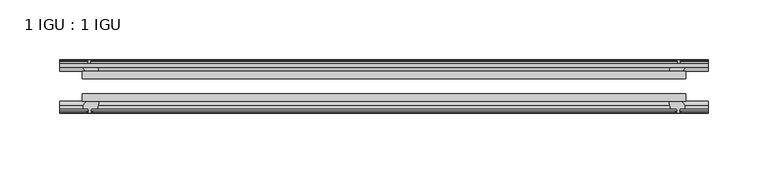
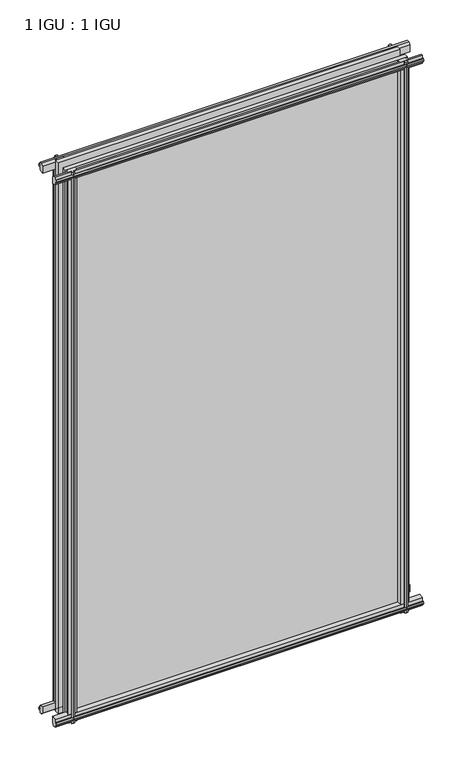
"""IFC4 building model written with IfcOpenShell, lengths in millimetres: plate geometry, 1 IGU : 1 IGU."""

from ifc_helpers import new_model, si_unit, frame, origin, place, context, project, spatial, polyline, outline, extrude, source, transform, mapped, element, save


def plate_1_igu_1_igu_49b9b00f(model_context):
    return source(origin(), model_context, "Body", "SweptSolid", [
        extrude(outline(polyline([(-253.5349802, -38.6468937), (253.5349802, -38.6468937), (253.5349802, -44.9460938), (-253.5349802, -44.9460938), (-253.5349802, -38.6468937)])), frame((0.0, 0.0, -12.7), z_axis=(0.0, 0.0, 1.0), x_axis=(1.0, 0.0, 0.0)), (0.0, 0.0, 1.0), 863.5872996),
        extrude(outline(polyline([(-253.5349802, -19.5460937), (253.5349802, -19.5460937), (253.5349802, -25.8960938), (-253.5349802, -25.8960938), (-253.5349802, -19.5460937)])), frame((0.0, 0.0, -12.7), z_axis=(0.0, 0.0, 1.0), x_axis=(1.0, 0.0, 0.0)), (0.0, 0.0, 1.0), 863.5872996),
        extrude(outline(polyline([(-44.9460937, 1.7177181), (-44.9460937, -9.1036578), (-48.3496937, -11.938), (-51.2960937, -11.938), (-51.2960937, -7.493), (-53.6762907, -7.112), (-53.2163575, -8.5275291), (-54.0175717, -8.5275291), (-54.7250937, -6.35), (-54.0175717, -4.1724709), (-53.2163575, -4.1724709), (-53.6762907, -5.588), (-51.2960937, -5.207), (-51.2960937, 0.0), (-44.9460937, 1.7177181)])), frame((-272.5849802, 0.0, 0.0), z_axis=(1.0, 0.0, 0.0), x_axis=(0.0, 1.0, 0.0)), (0.0, 0.0, 1.0), 545.1699604),
        extrude(outline(polyline([(-13.1960937, -12.4587), (-16.1424937, -12.4587), (-19.5460937, -9.6243578), (-19.5460937, 1.1970181), (-13.1960937, -0.5207), (-13.1960937, -5.7277), (-10.8158968, -6.1087), (-11.27583, -4.6931709), (-10.4746158, -4.6931709), (-9.7670937, -6.8707), (-10.4746158, -9.0482291), (-11.27583, -9.0482291), (-10.8158968, -7.6327), (-13.1960937, -8.0137), (-13.1960937, -12.4587)])), frame((-272.5849802, 0.0, 0.0), z_axis=(1.0, 0.0, 0.0), x_axis=(0.0, 1.0, 0.0)), (0.0, 0.0, 1.0), 545.1699604),
        extrude(outline(polyline([(-51.2960937, 850.1252996), (-48.3496937, 850.1252996), (-44.9460937, 847.2909574), (-44.9460937, 836.4695815), (-51.2960937, 838.1872996), (-51.2960937, 843.3942996), (-53.6762907, 843.7752996), (-53.2163575, 842.3597706), (-54.0175717, 842.3597706), (-54.7250937, 844.5372996), (-54.0175717, 846.7148287), (-53.2163575, 846.7148287), (-53.6762907, 845.2992996), (-51.2960937, 845.6802996), (-51.2960937, 850.1252996)])), frame((-272.5849802, 0.0, 0.0), z_axis=(1.0, 0.0, 0.0), x_axis=(0.0, 1.0, 0.0)), (0.0, 0.0, 1.0), 545.1699604),
        extrude(outline(polyline([(-19.5460937, 836.9902815), (-19.5460937, 847.8116574), (-16.1424937, 850.6459996), (-13.1960937, 850.6459996), (-13.1960937, 846.2009996), (-10.8158968, 845.8199996), (-11.27583, 847.2355287), (-10.4746158, 847.2355287), (-9.7670937, 845.0579996), (-10.4746158, 842.8804706), (-11.27583, 842.8804706), (-10.8158968, 844.2959996), (-13.1960937, 843.9149996), (-13.1960937, 838.7079996), (-19.5460937, 836.9902815)])), frame((-272.5849802, 0.0, 0.0), z_axis=(1.0, 0.0, 0.0), x_axis=(0.0, 1.0, 0.0)), (0.0, 0.0, 1.0), 545.1699604),
        extrude(outline(polyline([(239.6379621, -19.5460938), (241.3556802, -13.1960938), (246.5626802, -13.1960938), (246.9436802, -10.8158968), (245.5281511, -11.27583), (245.5281511, -10.4746158), (247.7056802, -9.7670938), (249.8832092, -10.4746158), (249.8832092, -11.27583), (248.4676802, -10.8158968), (248.8486802, -13.1960938), (253.2936802, -13.1960938), (253.2936802, -16.1424938), (250.459338, -19.5460938), (239.6379621, -19.5460938)])), frame((0.0, 0.0, -12.7), z_axis=(0.0, 0.0, 1.0), x_axis=(1.0, 0.0, 0.0)), (0.0, 0.0, 1.0), 863.5872998),
        extrude(outline(polyline([(239.1172621, -44.9460938), (249.938638, -44.9460938), (252.7729802, -48.3496938), (252.7729802, -51.2960938), (248.3279802, -51.2960938), (247.9469802, -53.6762907), (249.3625092, -53.2163575), (249.3625092, -54.0175717), (247.1849802, -54.7250938), (245.0074511, -54.0175717), (245.0074511, -53.2163575), (246.4229802, -53.6762907), (246.0419802, -51.2960938), (240.8349802, -51.2960938), (239.1172621, -44.9460938)])), frame((0.0, 0.0, -12.7), z_axis=(0.0, 0.0, 1.0), x_axis=(1.0, 0.0, 0.0)), (0.0, 0.0, 1.0), 863.5872998),
        extrude(outline(polyline([(-247.7056802, -9.7670937), (-245.5281511, -10.4746158), (-245.5281511, -11.27583), (-246.9436802, -10.8158968), (-246.5626802, -13.1960937), (-241.3556802, -13.1960937), (-239.6379621, -19.5460937), (-250.459338, -19.5460937), (-253.2936802, -16.1424937), (-253.2936802, -13.1960937), (-248.8486802, -13.1960937), (-248.4676802, -10.8158968), (-249.8832092, -11.27583), (-249.8832092, -10.4746158), (-247.7056802, -9.7670937)])), frame((0.0, 0.0, -12.7), z_axis=(0.0, 0.0, 1.0), x_axis=(1.0, 0.0, 0.0)), (0.0, 0.0, 1.0), 863.5872998),
        extrude(outline(polyline([(-252.7729802, -48.3496937), (-249.938638, -44.9460937), (-239.1172621, -44.9460937), (-240.8349802, -51.2960937), (-246.0419802, -51.2960937), (-246.4229802, -53.6762907), (-245.0074511, -53.2163575), (-245.0074511, -54.0175717), (-247.1849802, -54.7250937), (-249.3625092, -54.0175717), (-249.3625092, -53.2163575), (-247.9469802, -53.6762907), (-248.3279802, -51.2960937), (-252.7729802, -51.2960937), (-252.7729802, -48.3496937)])), frame((0.0, 0.0, -12.7), z_axis=(0.0, 0.0, 1.0), x_axis=(1.0, 0.0, 0.0)), (0.0, 0.0, 1.0), 863.5872998),
    ])


if __name__ == "__main__":
    model = new_model("IFC4")
    model_context = context("Model", 3, world=origin())
    ifc_project = project(units=[si_unit("LENGTHUNIT", "METRE", prefix="MILLI")], contexts=[model_context])
    site = spatial("IfcSite", under=ifc_project)
    building = spatial("IfcBuilding", under=site)
    placement = place(None, origin())
    plate_1_igu_1_igu_shape = plate_1_igu_1_igu_49b9b00f(model_context)
    element("IfcPlate", 1, ObjectType="1 IGU : 1 IGU", at=placement, inside=building, context=model_context, shape_type="MappedRepresentation", body=[
        mapped(plate_1_igu_1_igu_shape, transform((0.0, 0.0, 0.0), x_axis=(1.0, 0.0, 0.0), y_axis=(0.0, 1.0, 0.0), z_axis=(0.0, 0.0, 1.0))),
    ])
    save(model, "model.ifc")
